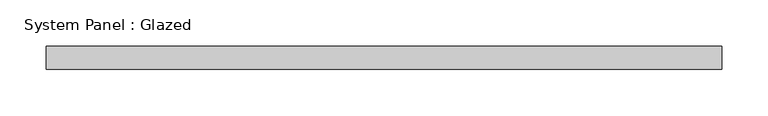
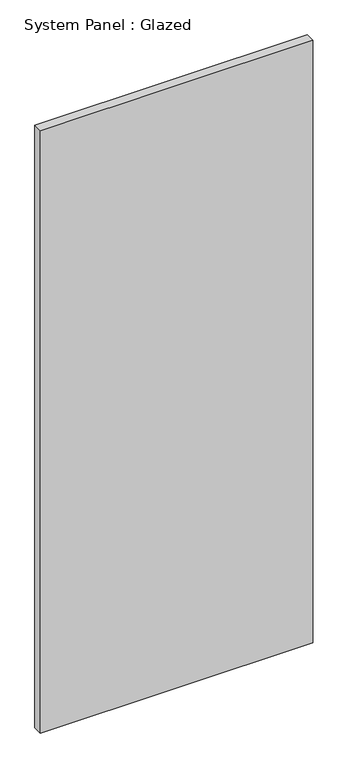
"""IFC4 building model written with IfcOpenShell, lengths in millimetres: plate geometry, System Panel : Glazed."""

from ifc_helpers import new_model, si_unit, origin, origin_with_axes, place, context, project, spatial, polyline, outline, extrude, source, transform, mapped, element, save


def system_panel_glazed_f57d133e(model_context):
    return source(origin(), model_context, "Body", "SweptSolid", [
        extrude(outline(polyline([(366.7125, -44.45), (-366.7125, -44.45), (-366.7125, -19.05), (366.7125, -19.05), (366.7125, -44.45)])), origin_with_axes(), (0.0, 0.0, 1.0), 1714.5),
    ])


if __name__ == "__main__":
    model = new_model("IFC4")
    model_context = context("Model", 3, world=origin())
    ifc_project = project(units=[si_unit("LENGTHUNIT", "METRE", prefix="MILLI")], contexts=[model_context])
    site = spatial("IfcSite", under=ifc_project)
    building = spatial("IfcBuilding", under=site)
    placement = place(None, origin())
    system_panel_glazed_shape = system_panel_glazed_f57d133e(model_context)
    element("IfcPlate", 1, ObjectType="System Panel : Glazed", at=placement, inside=building, context=model_context, shape_type="MappedRepresentation", body=[
        mapped(system_panel_glazed_shape, transform((0.0, 0.0, 0.0), x_axis=(1.0, 0.0, 0.0), y_axis=(0.0, 1.0, 0.0), z_axis=(0.0, 0.0, 1.0))),
    ])
    save(model, "model.ifc")
